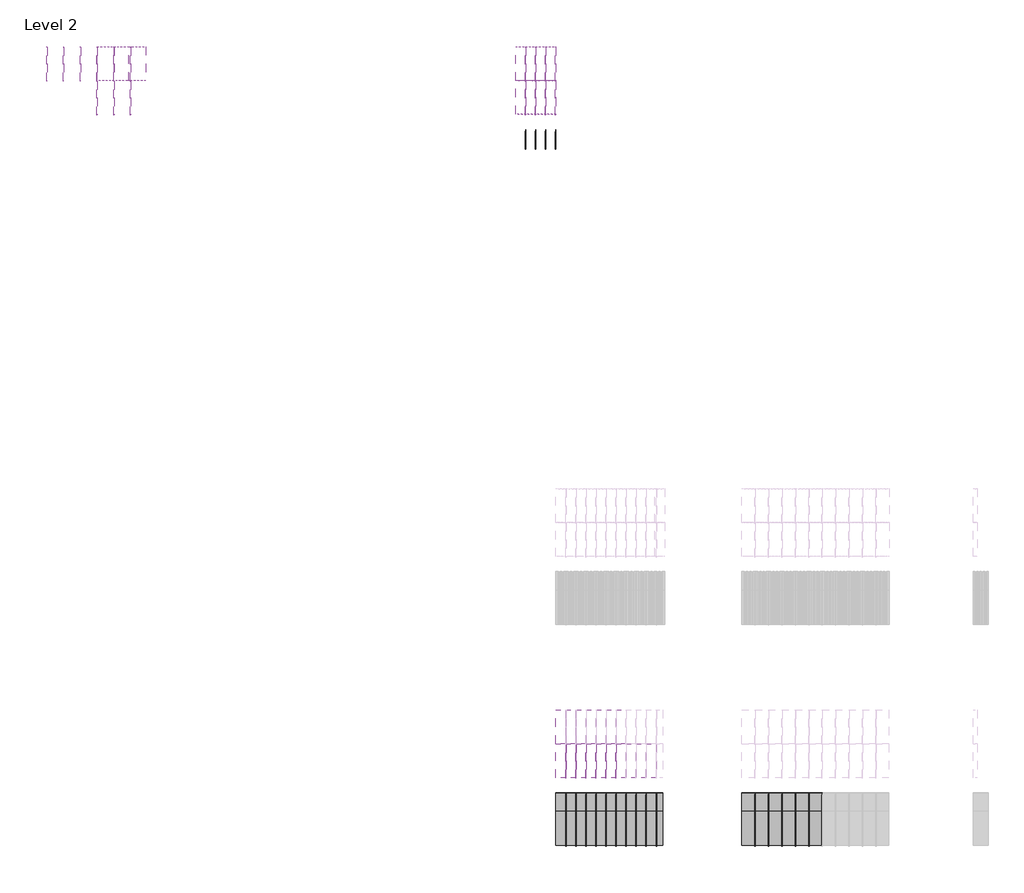
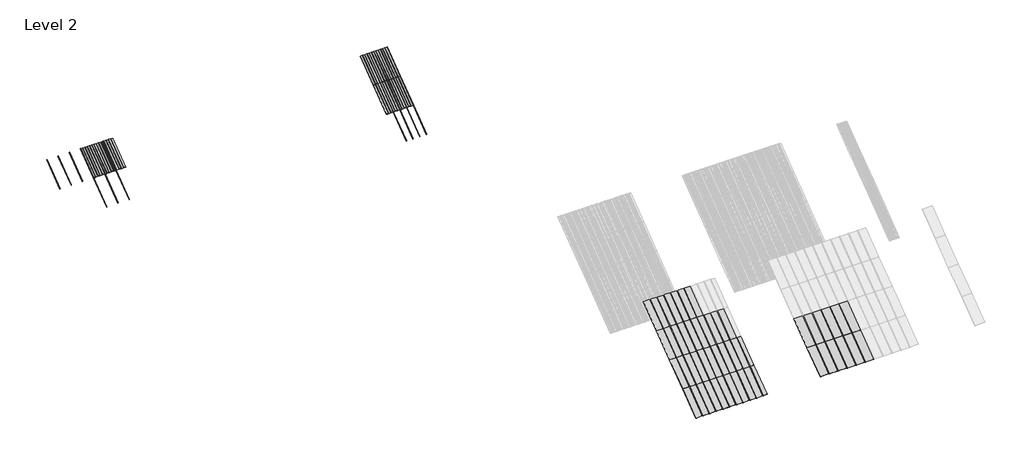
# One storey, part 26 of 177: 62 plates, 51 members.
"""IFC4 building model written with IfcOpenShell, lengths in millimetres."""

import ifcopenshell
import ifcopenshell.guid

model = None  # the IFC model being written
_history = None  # IfcOwnerHistory: only IFC2X3 demands one
_inside = {}  # id of a spatial element -> (the spatial element, [elements in it])
_under = {}  # id of a project, library or spatial element -> (it, [spatial elements below it])
_declared = {}  # id of a project -> (the project, [libraries it declares])
_typed = {}  # id of a type object -> (the type object, [elements of that type])
_made_of = {}  # id of a material, layer set ... -> (it, [elements and type objects made of it])


def new_model(schema):
    """Start an empty IFC model of exactly this schema.

    Asked for "IFC4X3", IfcOpenShell would pick the latest addendum, in which some entities
    have other attributes; the version numbers below select the first issue.
    IFC2X3 requires an IfcOwnerHistory on every rooted entity: one is made here for all.
    """
    global model, _history
    if schema == "IFC4X3":
        model = ifcopenshell.file(schema_version=(4, 3, 0, 0))
    else:
        model = ifcopenshell.file(schema=schema)
    _inside.clear()
    _under.clear()
    _declared.clear()
    _typed.clear()
    _made_of.clear()
    _history = None
    if model.schema == "IFC2X3":
        org = make("IfcOrganization", Name="unknown")
        user = make(
            "IfcPersonAndOrganization",
            ThePerson=make("IfcPerson", FamilyName="unknown"),
            TheOrganization=org,
        )
        app = make(
            "IfcApplication",
            ApplicationDeveloper=org,
            Version="unknown",
            ApplicationFullName="unknown",
            ApplicationIdentifier="unknown",
        )
        _history = make(
            "IfcOwnerHistory",
            OwningUser=user,
            OwningApplication=app,
            ChangeAction="ADDED",
            CreationDate=0,
        )
    return model


def make(cls, **values):
    """One entity of the class cls with the attributes given. An attribute that is None is left unset."""
    return model.create_entity(
        cls, **{name: value for name, value in values.items() if value is not None}
    )


def rooted(cls, **values):
    """An entity with a GlobalId (a new one), such as an element, a storey or a relation."""
    return make(cls, GlobalId=ifcopenshell.guid.new(), OwnerHistory=_history, **values)


def si_unit(unit_type, name, prefix=None):
    """IfcSIUnit, for example si_unit("LENGTHUNIT", "METRE", prefix="MILLI")."""
    return make("IfcSIUnit", UnitType=unit_type, Prefix=prefix, Name=name)


def assignment(units):
    """IfcUnitAssignment: the units of a project."""
    return None if units is None else make("IfcUnitAssignment", Units=units)


def point(xyz):
    """IfcCartesianPoint."""
    return None if xyz is None else make("IfcCartesianPoint", Coordinates=xyz)


def direction(xyz):
    """IfcDirection."""
    return None if xyz is None else make("IfcDirection", DirectionRatios=xyz)


def frame(location, z_axis=None, x_axis=None):
    """IfcAxis2Placement3D, a coordinate frame: its origin and axes. An axis left out is left unset."""
    return make(
        "IfcAxis2Placement3D",
        Location=point(location),
        Axis=direction(z_axis),
        RefDirection=direction(x_axis),
    )


def frame_2d(location, x_axis=None):
    """IfcAxis2Placement2D, a coordinate frame in the plane: its origin and x axis."""
    return make(
        "IfcAxis2Placement2D", Location=point(location), RefDirection=direction(x_axis)
    )


def origin():
    """The frame at (0, 0, 0) with its axes left unset."""
    return frame((0.0, 0.0, 0.0))


def origin_with_axes():
    """The frame at (0, 0, 0) with the z axis (0, 0, 1) and the x axis (1, 0, 0) written out."""
    return frame((0.0, 0.0, 0.0), z_axis=(0.0, 0.0, 1.0), x_axis=(1.0, 0.0, 0.0))


def place(relative_to, where):
    """IfcLocalPlacement: puts the frame where relative to a parent placement (None: the world)."""
    return make(
        "IfcLocalPlacement", PlacementRelTo=relative_to, RelativePlacement=where
    )


def context(
    kind, dimensions, precision=None, world=None, true_north=None, identifier=None
):
    """IfcGeometricRepresentationContext, for example the 3D "Model" context."""
    return make(
        "IfcGeometricRepresentationContext",
        ContextIdentifier=identifier,
        ContextType=kind,
        CoordinateSpaceDimension=dimensions,
        Precision=precision,
        WorldCoordinateSystem=world,
        TrueNorth=true_north,
    )


def project(units=None, contexts=None):
    """IfcProject with its units and contexts."""
    return rooted(
        "IfcProject",
        Name="project",
        RepresentationContexts=contexts,
        UnitsInContext=assignment(units),
    )


def spatial(cls, under=None, at=None, **own):
    """A site, building, storey or space (cls), placed at a placement, below another one or the project."""
    s = rooted(cls, ObjectPlacement=at, **own)
    if under is not None:
        _under.setdefault(under.id(), (under, []))[1].append(s)
    return s


def polyline(points):
    """IfcPolyline through the points."""
    return make("IfcPolyline", Points=[point(p) for p in points])


def circle_curve(where, radius):
    """IfcCircle in the frame where."""
    return make("IfcCircle", Position=where, Radius=radius)


def trimmed(basis, trim1, trim2, sense, master):
    """IfcTrimmedCurve: the piece of a basis curve between two trims."""
    return make(
        "IfcTrimmedCurve",
        BasisCurve=basis,
        Trim1=trim1,
        Trim2=trim2,
        SenseAgreement=sense,
        MasterRepresentation=master,
    )


def segment(curve, same_sense, transition):
    """IfcCompositeCurveSegment."""
    return make(
        "IfcCompositeCurveSegment",
        Transition=transition,
        SameSense=same_sense,
        ParentCurve=curve,
    )


def composite_curve(segments, self_intersect=None):
    """IfcCompositeCurve: segments joined end to end."""
    return make("IfcCompositeCurve", Segments=segments, SelfIntersect=self_intersect)


def outline(outer, holes=None, kind="AREA"):
    """IfcArbitraryClosedProfileDef: a profile drawn as a closed curve; with holes, ...WithVoids."""
    if holes is None:
        return make("IfcArbitraryClosedProfileDef", ProfileType=kind, OuterCurve=outer)
    return make(
        "IfcArbitraryProfileDefWithVoids",
        ProfileType=kind,
        OuterCurve=outer,
        InnerCurves=holes,
    )


def extrude(swept, where, along, depth):
    """IfcExtrudedAreaSolid: the profile swept, set in the frame where, extruded along a direction by depth."""
    return make(
        "IfcExtrudedAreaSolid",
        SweptArea=swept,
        Position=where,
        ExtrudedDirection=direction(along),
        Depth=depth,
    )


def shape(context_of_items, identifier, shape_type, items):
    """IfcShapeRepresentation: the items that make up one representation, for example the "Body"."""
    return make(
        "IfcShapeRepresentation",
        ContextOfItems=context_of_items,
        RepresentationIdentifier=identifier,
        RepresentationType=shape_type,
        Items=items,
    )


def source(mapping_origin, context_of_items, identifier, shape_type, items):
    """IfcRepresentationMap: a shape defined once, which mapped items show again and again."""
    return make(
        "IfcRepresentationMap",
        MappingOrigin=mapping_origin,
        MappedRepresentation=shape(context_of_items, identifier, shape_type, items),
    )


def transform(
    local_origin,
    x_axis=None,
    y_axis=None,
    z_axis=None,
    scale=None,
    scale2=None,
    scale3=None,
    uniform=True,
):
    """IfcCartesianTransformationOperator3D, or its non-uniform kind. x_axis, y_axis, z_axis: its Axis1, 2, 3."""
    if uniform:
        return make(
            "IfcCartesianTransformationOperator3D",
            Axis1=direction(x_axis),
            Axis2=direction(y_axis),
            LocalOrigin=point(local_origin),
            Scale=scale,
            Axis3=direction(z_axis),
        )
    return make(
        "IfcCartesianTransformationOperator3DnonUniform",
        Axis1=direction(x_axis),
        Axis2=direction(y_axis),
        LocalOrigin=point(local_origin),
        Scale=scale,
        Axis3=direction(z_axis),
        Scale2=scale2,
        Scale3=scale3,
    )


def mapped(mapping_source, mapping_target):
    """IfcMappedItem: shows the shape of a source again, moved by a transform."""
    return make(
        "IfcMappedItem", MappingSource=mapping_source, MappingTarget=mapping_target
    )


def made_of(thing, what):
    """Note that an element or type object is made of a material, layer set ...; save() writes the relation."""
    if what is not None:
        _made_of.setdefault(what.id(), (what, []))[1].append(thing)
    return thing


def element(
    cls,
    number,
    at=None,
    inside=None,
    cuts=None,
    type_object=None,
    material=None,
    context=None,
    identifier="Body",
    shape_type=None,
    held_by="IfcProductDefinitionShape",
    body=None,
    shapes=None,
    **own,
):
    """One element of the class cls, such as IfcWall. Its Tag is "e" and its number.

    at: its placement. inside: the storey or other place that contains it. cuts: it is an
    opening in that element (IfcRelVoidsElement). A single representation is given by context,
    identifier, shape_type and body (its items); several are given by shapes. held_by: the class
    of the entity that holds the representations. save() writes the other relations.
    """
    e = rooted(cls, Tag="e%d" % number, ObjectPlacement=at, **own)
    if body is not None:
        shapes = [shape(context, identifier, shape_type, body)]
    if shapes is not None:
        e.Representation = make(held_by, Representations=shapes)
    if inside is not None:
        _inside.setdefault(inside.id(), (inside, []))[1].append(e)
    if cuts is not None:
        rooted(
            "IfcRelVoidsElement", RelatingBuildingElement=cuts, RelatedOpeningElement=e
        )
    if type_object is not None:
        _typed.setdefault(type_object.id(), (type_object, []))[1].append(e)
    return made_of(e, material)


def aggregate(whole, parts):
    """IfcRelAggregates: a whole, such as a stair, and the parts it consists of."""
    return rooted("IfcRelAggregates", RelatingObject=whole, RelatedObjects=parts)


def save(model, path):
    """Write the relations noted so far, then the file.

    IfcRelAggregates (storeys below a building ...), IfcRelContainedInSpatialStructure (elements
    in a storey), IfcRelDefinesByType, IfcRelAssociatesMaterial and IfcRelDeclares: one each for
    every whole, place, type object, material and project.
    """
    for whole, parts in _under.values():
        aggregate(whole, parts)
    for where, things in _inside.values():
        rooted(
            "IfcRelContainedInSpatialStructure",
            RelatedElements=things,
            RelatingStructure=where,
        )
    for kind, things in _typed.values():
        rooted("IfcRelDefinesByType", RelatedObjects=things, RelatingType=kind)
    for what, things in _made_of.values():
        rooted("IfcRelAssociatesMaterial", RelatedObjects=things, RelatingMaterial=what)
    for by, libraries in _declared.values():
        rooted("IfcRelDeclares", RelatingContext=by, RelatedDefinitions=libraries)
    model.write(path)


def rectangular_mullion_1bcf8777(model_context):
    return source(origin(), model_context, "Body", "SweptSolid", [
        extrude(outline(composite_curve([segment(polyline([(-1.651, -33.7200875), (-1.651, 0.5953125), (1.778, 0.5953125), (1.778, -36.2600875)]), True, "CONTINUOUS"), segment(trimmed(circle_curve(frame_2d((-0.762, -36.2600875)), 2.54), [point((1.778, -36.2600875))], [point((-0.762, -38.8000875))], False, "CARTESIAN"), True, "CONTINUOUS"), segment(polyline([(-0.762, -38.8000875), (-10.16, -38.8000875)]), True, "CONTINUOUS"), segment(trimmed(circle_curve(frame_2d((-10.16, -36.2600875)), 2.54), [point((-10.16, -38.8000875))], [point((-10.16, -33.7200875))], False, "CARTESIAN"), True, "CONTINUOUS"), segment(polyline([(-10.16, -33.7200875), (-1.651, -33.7200875)]), True, "CONTINUOUS")], self_intersect=False)), frame((0.0, 0.0, -1285.875), z_axis=(0.0, 0.0, 1.0), x_axis=(1.0, 0.0, 0.0)), (0.0, 0.0, 1.0), 1285.875),
    ])


def rectangular_mullion_59d29c64(model_context):
    return source(origin(), model_context, "Body", "SweptSolid", [
        extrude(outline(composite_curve([segment(polyline([(-1.651, -33.918525), (-1.651, 0.396875), (1.778, 0.396875), (1.778, -36.458525)]), True, "CONTINUOUS"), segment(trimmed(circle_curve(frame_2d((-0.762, -36.458525)), 2.54), [point((1.778, -36.458525))], [point((-0.762, -38.998525))], False, "CARTESIAN"), True, "CONTINUOUS"), segment(polyline([(-0.762, -38.998525), (-10.16, -38.998525)]), True, "CONTINUOUS"), segment(trimmed(circle_curve(frame_2d((-10.16, -36.458525)), 2.54), [point((-10.16, -38.998525))], [point((-10.16, -33.918525))], False, "CARTESIAN"), True, "CONTINUOUS"), segment(polyline([(-10.16, -33.918525), (-1.651, -33.918525)]), True, "CONTINUOUS")], self_intersect=False)), frame((0.0, 0.0, -1285.875), z_axis=(0.0, 0.0, 1.0), x_axis=(1.0, 0.0, 0.0)), (0.0, 0.0, 1.0), 1285.875),
    ])


def plate_0_04_aluminium_d6717451(model_context):
    return source(origin(), model_context, "Body", "SweptSolid", [
        extrude(outline(composite_curve([segment(polyline([(45.68698, 0.0), (-45.68698, 0.0)]), True, "CONTINUOUS"), segment(trimmed(circle_curve(frame_2d((-52.03698, 0.0)), 6.35), [point((-45.68698, 0.0))], [point((-58.38698, 0.0))], False, "CARTESIAN"), True, "CONTINUOUS"), segment(polyline([(-58.38698, 0.0), (-149.76094, 0.0)]), True, "CONTINUOUS"), segment(trimmed(circle_curve(frame_2d((-156.11094, 0.0)), 6.35), [point((-149.76094, 0.0))], [point((-162.46094, 0.0))], False, "CARTESIAN"), True, "CONTINUOUS"), segment(polyline([(-162.46094, 0.0), (-254.0, 0.0), (-254.0, 1.016), (-161.64814, 1.016), (-161.64814, 0.0)]), True, "CONTINUOUS"), segment(trimmed(circle_curve(frame_2d((-156.11094, 0.0)), 5.5372), [point((-161.64814, 0.0))], [point((-150.57374, 0.0))], True, "CARTESIAN"), True, "CONTINUOUS"), segment(polyline([(-150.57374, 0.0), (-150.57374, 1.016), (-57.57418, 1.016), (-57.57418, 0.0)]), True, "CONTINUOUS"), segment(trimmed(circle_curve(frame_2d((-52.03698, 0.0)), 5.5372), [point((-57.57418, 0.0))], [point((-46.49978, 0.0))], True, "CARTESIAN"), True, "CONTINUOUS"), segment(polyline([(-46.49978, 0.0), (-46.49978, 1.016), (46.49978, 1.016), (46.49978, 0.0)]), True, "CONTINUOUS"), segment(trimmed(circle_curve(frame_2d((52.03698, 0.0)), 5.5372), [point((46.49978, 0.0))], [point((57.57418, 0.0))], True, "CARTESIAN"), True, "CONTINUOUS"), segment(polyline([(57.57418, 0.0), (57.57418, 1.016), (150.57374, 1.016), (150.57374, 0.0)]), True, "CONTINUOUS"), segment(trimmed(circle_curve(frame_2d((156.11094, 0.0)), 5.5372), [point((150.57374, 0.0))], [point((161.64814, 0.0))], True, "CARTESIAN"), True, "CONTINUOUS"), segment(polyline([(161.64814, 0.0), (161.64814, 1.016), (254.0, 1.016), (254.0, 0.0), (162.46094, 0.0)]), True, "CONTINUOUS"), segment(trimmed(circle_curve(frame_2d((156.11094, 0.0)), 6.35), [point((162.46094, 0.0))], [point((149.76094, 0.0))], False, "CARTESIAN"), True, "CONTINUOUS"), segment(polyline([(149.76094, 0.0), (58.38698, 0.0)]), True, "CONTINUOUS"), segment(trimmed(circle_curve(frame_2d((52.03698, 0.0)), 6.35), [point((58.38698, 0.0))], [point((45.68698, 0.0))], False, "CARTESIAN"), True, "CONTINUOUS")], self_intersect=False)), origin_with_axes(), (0.0, 0.0, 1.0), 1285.875),
    ])


def plate_0_032_aluminium_90081244(model_context):
    return source(origin(), model_context, "Body", "SweptSolid", [
        extrude(outline(composite_curve([segment(polyline([(-57.57418, 0.8128), (-57.57418, 0.0)]), True, "CONTINUOUS"), segment(trimmed(circle_curve(frame_2d((-52.03698, 0.0)), 5.5372), [point((-57.57418, 0.0))], [point((-46.49978, 0.0))], True, "CARTESIAN"), True, "CONTINUOUS"), segment(polyline([(-46.49978, 0.0), (-46.49978, 0.8128), (46.49978, 0.8128), (46.49978, 0.0)]), True, "CONTINUOUS"), segment(trimmed(circle_curve(frame_2d((52.03698, 0.0)), 5.5372), [point((46.49978, 0.0))], [point((57.57418, 0.0))], True, "CARTESIAN"), True, "CONTINUOUS"), segment(polyline([(57.57418, 0.0), (57.57418, 0.8128), (152.4, 0.8128), (152.4, 0.0), (58.38698, 0.0)]), True, "CONTINUOUS"), segment(trimmed(circle_curve(frame_2d((52.03698, 0.0)), 6.35), [point((58.38698, 0.0))], [point((45.68698, 0.0))], False, "CARTESIAN"), True, "CONTINUOUS"), segment(polyline([(45.68698, 0.0), (-45.68698, 0.0)]), True, "CONTINUOUS"), segment(trimmed(circle_curve(frame_2d((-52.03698, 0.0)), 6.35), [point((-45.68698, 0.0))], [point((-58.38698, 0.0))], False, "CARTESIAN"), True, "CONTINUOUS"), segment(polyline([(-58.38698, 0.0), (-152.4, 0.0), (-152.4, 0.8128), (-57.57418, 0.8128)]), True, "CONTINUOUS")], self_intersect=False)), origin_with_axes(), (0.0, 0.0, 1.0), 1285.875),
    ])


def system_panel_beed7351(model_context):
    return source(origin(), model_context, "Body", "SweptSolid", [
        extrude(outline(polyline([(150.6855, -0.2976563), (-150.6855, -0.2976563), (-150.6855, 0.2976563), (150.6855, 0.2976563), (150.6855, -0.2976563)])), origin_with_axes(), (0.0, 0.0, 1.0), 1285.875),
    ])


def system_panel_ae13d03e(model_context):
    return source(origin(), model_context, "Body", "SweptSolid", [
        extrude(outline(polyline([(93.9165, -0.2976563), (-93.9165, -0.2976563), (-93.9165, 0.2976563), (93.9165, 0.2976563), (93.9165, -0.2976563)])), origin_with_axes(), (0.0, 0.0, 1.0), 1285.875),
    ])


def system_panel_97c11969(model_context):
    return source(origin(), model_context, "Body", "SweptSolid", [
        extrude(outline(polyline([(201.5490002, -0.2976563), (-201.5490002, -0.2976563), (-201.5490002, 0.2976563), (201.5490002, 0.2976563), (201.5490002, -0.2976563)])), origin_with_axes(), (0.0, 0.0, 1.0), 1285.875),
    ])


def system_panel_9a8f2961(model_context):
    return source(origin(), model_context, "Body", "SweptSolid", [
        extrude(outline(polyline([(201.4855, -0.2976563), (-201.4855, -0.2976563), (-201.4855, 0.2976563), (201.4855, 0.2976563), (201.4855, -0.2976563)])), origin_with_axes(), (0.0, 0.0, 1.0), 1285.875),
    ])


model = new_model("IFC4")

# Units and contexts
model_context = context("Model", 3, world=origin())
ifc_project = project(units=[si_unit("LENGTHUNIT", "METRE", prefix="MILLI")], contexts=[model_context])

# Site, building, storey
site = spatial("IfcSite", under=ifc_project)
building = spatial("IfcBuilding", under=site)
storey = spatial("IfcBuildingStorey", under=building, Name="Level 2", Elevation=3048.0)

# Members
placement = place(None, origin())
rectangular_mullion_shape = rectangular_mullion_1bcf8777(model_context)
element("IfcMember", 1, ObjectType="Rectangular Mullion", at=placement, inside=storey, context=model_context, shape_type="MappedRepresentation", body=[
    mapped(rectangular_mullion_shape, transform((80547.5538419, 59076.1174364, 6134.1), x_axis=(1.0, 0.0, 0.0), y_axis=(0.0, 0.5999999999999946, -0.800000000000004), z_axis=(0.0, 0.800000000000004, 0.5999999999999946))),
])
element("IfcMember", 2, ObjectType="Rectangular Mullion", at=placement, inside=storey, context=model_context, shape_type="MappedRepresentation", body=[
    mapped(rectangular_mullion_shape, transform((81055.5538419, 59076.1174364, 6134.1), x_axis=(1.0, 0.0, 0.0), y_axis=(0.0, 0.5999999999999946, -0.800000000000004), z_axis=(0.0, 0.800000000000004, 0.5999999999999946))),
])
element("IfcMember", 3, ObjectType="Rectangular Mullion", at=placement, inside=storey, context=model_context, shape_type="MappedRepresentation", body=[
    mapped(rectangular_mullion_shape, transform((81563.5538419, 59076.1174364, 6134.1), x_axis=(1.0, 0.0, 0.0), y_axis=(0.0, 0.5999999999999946, -0.800000000000004), z_axis=(0.0, 0.800000000000004, 0.5999999999999946))),
])
element("IfcMember", 4, ObjectType="Rectangular Mullion", at=placement, inside=storey, context=model_context, shape_type="MappedRepresentation", body=[
    mapped(rectangular_mullion_shape, transform((82071.5538419, 59076.1174364, 6134.1), x_axis=(1.0, 0.0, 0.0), y_axis=(0.0, 0.5999999999999946, -0.800000000000004), z_axis=(0.0, 0.800000000000004, 0.5999999999999946))),
])
element("IfcMember", 5, ObjectType="Rectangular Mullion", at=placement, inside=storey, context=model_context, shape_type="MappedRepresentation", body=[
    mapped(rectangular_mullion_shape, transform((82579.5538419, 59076.1174364, 6134.1), x_axis=(1.0, 0.0, 0.0), y_axis=(0.0, 0.5999999999999946, -0.800000000000004), z_axis=(0.0, 0.800000000000004, 0.5999999999999946))),
])
element("IfcMember", 6, ObjectType="Rectangular Mullion", at=placement, inside=storey, context=model_context, shape_type="MappedRepresentation", body=[
    mapped(rectangular_mullion_shape, transform((83087.5538419, 59076.1174364, 6134.1), x_axis=(1.0, 0.0, 0.0), y_axis=(0.0, 0.5999999999999946, -0.800000000000004), z_axis=(0.0, 0.800000000000004, 0.5999999999999946))),
])
element("IfcMember", 7, ObjectType="Rectangular Mullion", at=placement, inside=storey, context=model_context, shape_type="MappedRepresentation", body=[
    mapped(rectangular_mullion_shape, transform((82071.5538419, 58047.4174364, 5362.575), x_axis=(1.0, 0.0, 0.0), y_axis=(0.0, 0.5999999999999941, -0.8000000000000045), z_axis=(0.0, 0.8000000000000044, 0.599999999999994))),
])
element("IfcMember", 8, ObjectType="Rectangular Mullion", at=placement, inside=storey, context=model_context, shape_type="MappedRepresentation", body=[
    mapped(rectangular_mullion_shape, transform((82579.5538419, 58047.4174364, 5362.575), x_axis=(1.0, 0.0, 0.0), y_axis=(0.0, 0.5999999999999941, -0.8000000000000045), z_axis=(0.0, 0.8000000000000044, 0.599999999999994))),
])
element("IfcMember", 9, ObjectType="Rectangular Mullion", at=placement, inside=storey, context=model_context, shape_type="MappedRepresentation", body=[
    mapped(rectangular_mullion_shape, transform((83087.5538419, 58047.4174364, 5362.575), x_axis=(1.0, 0.0, 0.0), y_axis=(0.0, 0.5999999999999941, -0.8000000000000045), z_axis=(0.0, 0.8000000000000044, 0.599999999999994))),
])
rectangular_mullion_2_shape = rectangular_mullion_59d29c64(model_context)
element("IfcMember", 10, ObjectType="Rectangular Mullion", at=placement, inside=storey, context=model_context, shape_type="MappedRepresentation", body=[
    mapped(rectangular_mullion_2_shape, transform((95061.1138422, 59077.9033739, 6134.1), x_axis=(1.0, 0.0, 0.0), y_axis=(0.0, 0.5999999999999946, -0.800000000000004), z_axis=(0.0, 0.800000000000004, 0.5999999999999946))),
])
element("IfcMember", 11, ObjectType="Rectangular Mullion", at=placement, inside=storey, context=model_context, shape_type="MappedRepresentation", body=[
    mapped(rectangular_mullion_2_shape, transform((95365.9138422, 59077.9033739, 6134.1), x_axis=(1.0, 0.0, 0.0), y_axis=(0.0, 0.5999999999999946, -0.800000000000004), z_axis=(0.0, 0.800000000000004, 0.5999999999999946))),
])
element("IfcMember", 12, ObjectType="Rectangular Mullion", at=placement, inside=storey, context=model_context, shape_type="MappedRepresentation", body=[
    mapped(rectangular_mullion_2_shape, transform((95670.7138422, 59077.9033739, 6134.1), x_axis=(1.0, 0.0, 0.0), y_axis=(0.0, 0.5999999999999946, -0.800000000000004), z_axis=(0.0, 0.800000000000004, 0.5999999999999946))),
])
element("IfcMember", 13, ObjectType="Rectangular Mullion", at=placement, inside=storey, context=model_context, shape_type="MappedRepresentation", body=[
    mapped(rectangular_mullion_2_shape, transform((95975.5138422, 59077.9033739, 6134.1), x_axis=(1.0, 0.0, 0.0), y_axis=(0.0, 0.5999999999999946, -0.800000000000004), z_axis=(0.0, 0.800000000000004, 0.5999999999999946))),
])
element("IfcMember", 14, ObjectType="Rectangular Mullion", at=placement, inside=storey, context=model_context, shape_type="MappedRepresentation", body=[
    mapped(rectangular_mullion_2_shape, transform((96280.3138422, 35875.4796239, 3819.525), x_axis=(1.0, 0.0, 0.0), y_axis=(0.0, 0.6000000000000008, -0.7999999999999994), z_axis=(0.0, 0.7999999999999994, 0.6000000000000008))),
])
element("IfcMember", 15, ObjectType="Rectangular Mullion", at=placement, inside=storey, context=model_context, shape_type="MappedRepresentation", body=[
    mapped(rectangular_mullion_2_shape, transform((96585.1138422, 35875.4796239, 3819.525), x_axis=(1.0, 0.0, 0.0), y_axis=(0.0, 0.6000000000000008, -0.7999999999999994), z_axis=(0.0, 0.7999999999999994, 0.6000000000000008))),
])
element("IfcMember", 16, ObjectType="Rectangular Mullion", at=placement, inside=storey, context=model_context, shape_type="MappedRepresentation", body=[
    mapped(rectangular_mullion_2_shape, transform((96889.9138422, 35875.4796239, 3819.525), x_axis=(1.0, 0.0, 0.0), y_axis=(0.0, 0.6000000000000008, -0.7999999999999994), z_axis=(0.0, 0.7999999999999994, 0.6000000000000008))),
])
element("IfcMember", 17, ObjectType="Rectangular Mullion", at=placement, inside=storey, context=model_context, shape_type="MappedRepresentation", body=[
    mapped(rectangular_mullion_2_shape, transform((97194.7138422, 35875.4796239, 3819.525), x_axis=(1.0, 0.0, 0.0), y_axis=(0.0, 0.6000000000000008, -0.7999999999999994), z_axis=(0.0, 0.7999999999999994, 0.6000000000000008))),
])
element("IfcMember", 18, ObjectType="Rectangular Mullion", at=placement, inside=storey, context=model_context, shape_type="MappedRepresentation", body=[
    mapped(rectangular_mullion_2_shape, transform((97499.5138422, 35875.4796239, 3819.525), x_axis=(1.0, 0.0, 0.0), y_axis=(0.0, 0.6000000000000008, -0.7999999999999994), z_axis=(0.0, 0.7999999999999994, 0.6000000000000008))),
])
element("IfcMember", 19, ObjectType="Rectangular Mullion", at=placement, inside=storey, context=model_context, shape_type="MappedRepresentation", body=[
    mapped(rectangular_mullion_2_shape, transform((97804.3138422, 35875.4796239, 3819.525), x_axis=(1.0, 0.0, 0.0), y_axis=(0.0, 0.6000000000000008, -0.7999999999999994), z_axis=(0.0, 0.7999999999999994, 0.6000000000000008))),
])
element("IfcMember", 20, ObjectType="Rectangular Mullion", at=placement, inside=storey, context=model_context, shape_type="MappedRepresentation", body=[
    mapped(rectangular_mullion_2_shape, transform((102020.7138422, 35875.4796239, 3819.525), x_axis=(1.0, 0.0, 0.0), y_axis=(0.0, 0.6000000000000008, -0.7999999999999994), z_axis=(0.0, 0.7999999999999994, 0.6000000000000008))),
])
element("IfcMember", 21, ObjectType="Rectangular Mullion", at=placement, inside=storey, context=model_context, shape_type="MappedRepresentation", body=[
    mapped(rectangular_mullion_2_shape, transform((102427.1138422, 35875.4796239, 3819.525), x_axis=(1.0, 0.0, 0.0), y_axis=(0.0, 0.6000000000000008, -0.7999999999999994), z_axis=(0.0, 0.7999999999999994, 0.6000000000000008))),
])
element("IfcMember", 22, ObjectType="Rectangular Mullion", at=placement, inside=storey, context=model_context, shape_type="MappedRepresentation", body=[
    mapped(rectangular_mullion_2_shape, transform((102833.5138422, 35875.4796239, 3819.525), x_axis=(1.0, 0.0, 0.0), y_axis=(0.0, 0.6000000000000008, -0.7999999999999994), z_axis=(0.0, 0.7999999999999994, 0.6000000000000008))),
])
element("IfcMember", 23, ObjectType="Rectangular Mullion", at=placement, inside=storey, context=model_context, shape_type="MappedRepresentation", body=[
    mapped(rectangular_mullion_2_shape, transform((103239.9138422, 35875.4796239, 3819.525), x_axis=(1.0, 0.0, 0.0), y_axis=(0.0, 0.6000000000000008, -0.7999999999999994), z_axis=(0.0, 0.7999999999999994, 0.6000000000000008))),
])
element("IfcMember", 24, ObjectType="Rectangular Mullion", at=placement, inside=storey, context=model_context, shape_type="MappedRepresentation", body=[
    mapped(rectangular_mullion_2_shape, transform((103646.3138422, 35875.4796239, 3819.525), x_axis=(1.0, 0.0, 0.0), y_axis=(0.0, 0.6000000000000008, -0.7999999999999994), z_axis=(0.0, 0.7999999999999994, 0.6000000000000008))),
])
element("IfcMember", 25, ObjectType="Rectangular Mullion", at=placement, inside=storey, context=model_context, shape_type="MappedRepresentation", body=[
    mapped(rectangular_mullion_2_shape, transform((98109.1138422, 35875.4796239, 3819.525), x_axis=(1.0, 0.0, 0.0), y_axis=(0.0, 0.6000000000000008, -0.7999999999999994), z_axis=(0.0, 0.7999999999999994, 0.6000000000000008))),
])
element("IfcMember", 26, ObjectType="Rectangular Mullion", at=placement, inside=storey, context=model_context, shape_type="MappedRepresentation", body=[
    mapped(rectangular_mullion_2_shape, transform((98413.9138422, 35875.4796239, 3819.525), x_axis=(1.0, 0.0, 0.0), y_axis=(0.0, 0.6000000000000008, -0.7999999999999994), z_axis=(0.0, 0.7999999999999994, 0.6000000000000008))),
])
element("IfcMember", 27, ObjectType="Rectangular Mullion", at=placement, inside=storey, context=model_context, shape_type="MappedRepresentation", body=[
    mapped(rectangular_mullion_2_shape, transform((98718.7138422, 35875.4796239, 3819.525), x_axis=(1.0, 0.0, 0.0), y_axis=(0.0, 0.6000000000000008, -0.7999999999999994), z_axis=(0.0, 0.7999999999999994, 0.6000000000000008))),
])
element("IfcMember", 28, ObjectType="Rectangular Mullion", at=placement, inside=storey, context=model_context, shape_type="MappedRepresentation", body=[
    mapped(rectangular_mullion_2_shape, transform((99023.5138422, 35875.4796239, 3819.525), x_axis=(1.0, 0.0, 0.0), y_axis=(0.0, 0.6000000000000008, -0.7999999999999994), z_axis=(0.0, 0.7999999999999994, 0.6000000000000008))),
])
element("IfcMember", 29, ObjectType="Rectangular Mullion", at=placement, inside=storey, context=model_context, shape_type="MappedRepresentation", body=[
    mapped(rectangular_mullion_2_shape, transform((96280.3138422, 36904.1796239, 4591.05), x_axis=(1.0, 0.0, 0.0), y_axis=(0.0, 0.6000000000000016, -0.7999999999999988), z_axis=(0.0, 0.7999999999999988, 0.6000000000000016))),
])
element("IfcMember", 30, ObjectType="Rectangular Mullion", at=placement, inside=storey, context=model_context, shape_type="MappedRepresentation", body=[
    mapped(rectangular_mullion_2_shape, transform((96585.1138422, 36904.1796239, 4591.05), x_axis=(1.0, 0.0, 0.0), y_axis=(0.0, 0.6000000000000016, -0.7999999999999988), z_axis=(0.0, 0.7999999999999988, 0.6000000000000016))),
])
element("IfcMember", 31, ObjectType="Rectangular Mullion", at=placement, inside=storey, context=model_context, shape_type="MappedRepresentation", body=[
    mapped(rectangular_mullion_2_shape, transform((96889.9138422, 36904.1796239, 4591.05), x_axis=(1.0, 0.0, 0.0), y_axis=(0.0, 0.6000000000000016, -0.7999999999999988), z_axis=(0.0, 0.7999999999999988, 0.6000000000000016))),
])
element("IfcMember", 32, ObjectType="Rectangular Mullion", at=placement, inside=storey, context=model_context, shape_type="MappedRepresentation", body=[
    mapped(rectangular_mullion_2_shape, transform((97194.7138422, 36904.1796239, 4591.05), x_axis=(1.0, 0.0, 0.0), y_axis=(0.0, 0.6000000000000016, -0.7999999999999988), z_axis=(0.0, 0.7999999999999988, 0.6000000000000016))),
])
element("IfcMember", 33, ObjectType="Rectangular Mullion", at=placement, inside=storey, context=model_context, shape_type="MappedRepresentation", body=[
    mapped(rectangular_mullion_2_shape, transform((97499.5138422, 36904.1796239, 4591.05), x_axis=(1.0, 0.0, 0.0), y_axis=(0.0, 0.6000000000000016, -0.7999999999999988), z_axis=(0.0, 0.7999999999999988, 0.6000000000000016))),
])
element("IfcMember", 34, ObjectType="Rectangular Mullion", at=placement, inside=storey, context=model_context, shape_type="MappedRepresentation", body=[
    mapped(rectangular_mullion_2_shape, transform((97804.3138422, 36904.1796239, 4591.05), x_axis=(1.0, 0.0, 0.0), y_axis=(0.0, 0.6000000000000016, -0.7999999999999988), z_axis=(0.0, 0.7999999999999988, 0.6000000000000016))),
])
element("IfcMember", 35, ObjectType="Rectangular Mullion", at=placement, inside=storey, context=model_context, shape_type="MappedRepresentation", body=[
    mapped(rectangular_mullion_2_shape, transform((96280.3138422, 37932.8796239, 5362.575), x_axis=(1.0, 0.0, 0.0), y_axis=(0.0, 0.6000000000000011, -0.7999999999999992), z_axis=(0.0, 0.7999999999999992, 0.6000000000000011))),
])
element("IfcMember", 36, ObjectType="Rectangular Mullion", at=placement, inside=storey, context=model_context, shape_type="MappedRepresentation", body=[
    mapped(rectangular_mullion_2_shape, transform((96585.1138422, 37932.8796239, 5362.575), x_axis=(1.0, 0.0, 0.0), y_axis=(0.0, 0.6000000000000011, -0.7999999999999992), z_axis=(0.0, 0.7999999999999992, 0.6000000000000011))),
])
element("IfcMember", 37, ObjectType="Rectangular Mullion", at=placement, inside=storey, context=model_context, shape_type="MappedRepresentation", body=[
    mapped(rectangular_mullion_2_shape, transform((96889.9138422, 37932.8796239, 5362.575), x_axis=(1.0, 0.0, 0.0), y_axis=(0.0, 0.6000000000000011, -0.7999999999999992), z_axis=(0.0, 0.7999999999999992, 0.6000000000000011))),
])
element("IfcMember", 38, ObjectType="Rectangular Mullion", at=placement, inside=storey, context=model_context, shape_type="MappedRepresentation", body=[
    mapped(rectangular_mullion_2_shape, transform((97194.7138422, 37932.8796239, 5362.575), x_axis=(1.0, 0.0, 0.0), y_axis=(0.0, 0.6000000000000011, -0.7999999999999992), z_axis=(0.0, 0.7999999999999992, 0.6000000000000011))),
])
element("IfcMember", 39, ObjectType="Rectangular Mullion", at=placement, inside=storey, context=model_context, shape_type="MappedRepresentation", body=[
    mapped(rectangular_mullion_2_shape, transform((97499.5138422, 37932.8796239, 5362.575), x_axis=(1.0, 0.0, 0.0), y_axis=(0.0, 0.6000000000000011, -0.7999999999999992), z_axis=(0.0, 0.7999999999999992, 0.6000000000000011))),
])
element("IfcMember", 40, ObjectType="Rectangular Mullion", at=placement, inside=storey, context=model_context, shape_type="MappedRepresentation", body=[
    mapped(rectangular_mullion_2_shape, transform((97804.3138422, 37932.8796239, 5362.575), x_axis=(1.0, 0.0, 0.0), y_axis=(0.0, 0.6000000000000011, -0.7999999999999992), z_axis=(0.0, 0.7999999999999992, 0.6000000000000011))),
])
element("IfcMember", 41, ObjectType="Rectangular Mullion", at=placement, inside=storey, context=model_context, shape_type="MappedRepresentation", body=[
    mapped(rectangular_mullion_2_shape, transform((98109.1138422, 36904.1796239, 4591.05), x_axis=(1.0, 0.0, 0.0), y_axis=(0.0, 0.6000000000000016, -0.7999999999999988), z_axis=(0.0, 0.7999999999999988, 0.6000000000000016))),
])
element("IfcMember", 42, ObjectType="Rectangular Mullion", at=placement, inside=storey, context=model_context, shape_type="MappedRepresentation", body=[
    mapped(rectangular_mullion_2_shape, transform((98413.9138422, 36904.1796239, 4591.05), x_axis=(1.0, 0.0, 0.0), y_axis=(0.0, 0.6000000000000016, -0.7999999999999988), z_axis=(0.0, 0.7999999999999988, 0.6000000000000016))),
])
element("IfcMember", 43, ObjectType="Rectangular Mullion", at=placement, inside=storey, context=model_context, shape_type="MappedRepresentation", body=[
    mapped(rectangular_mullion_2_shape, transform((98718.7138422, 36904.1796239, 4591.05), x_axis=(1.0, 0.0, 0.0), y_axis=(0.0, 0.6000000000000016, -0.7999999999999988), z_axis=(0.0, 0.7999999999999988, 0.6000000000000016))),
])
element("IfcMember", 44, ObjectType="Rectangular Mullion", at=placement, inside=storey, context=model_context, shape_type="MappedRepresentation", body=[
    mapped(rectangular_mullion_2_shape, transform((95061.1138422, 57020.5033739, 4591.05), x_axis=(1.0, 0.0, 0.0), y_axis=(0.0, 0.5999999999999952, -0.8000000000000037), z_axis=(0.0, 0.8000000000000037, 0.5999999999999952))),
])
element("IfcMember", 45, ObjectType="Rectangular Mullion", at=placement, inside=storey, context=model_context, shape_type="MappedRepresentation", body=[
    mapped(rectangular_mullion_2_shape, transform((95365.9138422, 57020.5033739, 4591.05), x_axis=(1.0, 0.0, 0.0), y_axis=(0.0, 0.5999999999999952, -0.8000000000000037), z_axis=(0.0, 0.8000000000000037, 0.5999999999999952))),
])
element("IfcMember", 46, ObjectType="Rectangular Mullion", at=placement, inside=storey, context=model_context, shape_type="MappedRepresentation", body=[
    mapped(rectangular_mullion_2_shape, transform((95061.1138422, 58049.2033739, 5362.575), x_axis=(1.0, 0.0, 0.0), y_axis=(0.0, 0.5999999999999941, -0.8000000000000045), z_axis=(0.0, 0.8000000000000044, 0.599999999999994))),
])
element("IfcMember", 47, ObjectType="Rectangular Mullion", at=placement, inside=storey, context=model_context, shape_type="MappedRepresentation", body=[
    mapped(rectangular_mullion_2_shape, transform((95365.9138422, 58049.2033739, 5362.575), x_axis=(1.0, 0.0, 0.0), y_axis=(0.0, 0.5999999999999941, -0.8000000000000045), z_axis=(0.0, 0.8000000000000044, 0.599999999999994))),
])
element("IfcMember", 48, ObjectType="Rectangular Mullion", at=placement, inside=storey, context=model_context, shape_type="MappedRepresentation", body=[
    mapped(rectangular_mullion_2_shape, transform((95670.7138422, 57020.5033739, 4591.05), x_axis=(1.0, 0.0, 0.0), y_axis=(0.0, 0.5999999999999952, -0.8000000000000037), z_axis=(0.0, 0.8000000000000037, 0.5999999999999952))),
])
element("IfcMember", 49, ObjectType="Rectangular Mullion", at=placement, inside=storey, context=model_context, shape_type="MappedRepresentation", body=[
    mapped(rectangular_mullion_2_shape, transform((95975.5138422, 57020.5033739, 4591.05), x_axis=(1.0, 0.0, 0.0), y_axis=(0.0, 0.5999999999999952, -0.8000000000000037), z_axis=(0.0, 0.8000000000000037, 0.5999999999999952))),
])
element("IfcMember", 50, ObjectType="Rectangular Mullion", at=placement, inside=storey, context=model_context, shape_type="MappedRepresentation", body=[
    mapped(rectangular_mullion_2_shape, transform((95670.7138422, 58049.2033739, 5362.575), x_axis=(1.0, 0.0, 0.0), y_axis=(0.0, 0.5999999999999941, -0.8000000000000045), z_axis=(0.0, 0.8000000000000044, 0.599999999999994))),
])
element("IfcMember", 51, ObjectType="Rectangular Mullion", at=placement, inside=storey, context=model_context, shape_type="MappedRepresentation", body=[
    mapped(rectangular_mullion_2_shape, transform((95975.5138422, 58049.2033739, 5362.575), x_axis=(1.0, 0.0, 0.0), y_axis=(0.0, 0.5999999999999941, -0.8000000000000045), z_axis=(0.0, 0.8000000000000044, 0.599999999999994))),
])

# Plates
plate_0_04_aluminium_shape = plate_0_04_aluminium_d6717451(model_context)
element("IfcPlate", 52, ObjectType="0.04 Aluminium", at=placement, inside=storey, context=model_context, shape_type="MappedRepresentation", body=[
    mapped(plate_0_04_aluminium_shape, transform((82325.6173419, 58047.4174364, 5362.575), x_axis=(1.0, 0.0, 0.0), y_axis=(0.0, 0.5999999999999943, -0.8000000000000043), z_axis=(0.0, 0.8000000000000043, 0.5999999999999943))),
])
element("IfcPlate", 53, ObjectType="0.04 Aluminium", at=placement, inside=storey, context=model_context, shape_type="MappedRepresentation", body=[
    mapped(plate_0_04_aluminium_shape, transform((82833.6173419, 58047.4174364, 5362.575), x_axis=(1.0, 0.0, 0.0), y_axis=(0.0, 0.5999999999999943, -0.8000000000000043), z_axis=(0.0, 0.8000000000000043, 0.5999999999999943))),
])
element("IfcPlate", 54, ObjectType="0.04 Aluminium", at=placement, inside=storey, context=model_context, shape_type="MappedRepresentation", body=[
    mapped(plate_0_04_aluminium_shape, transform((83284.8483419, 58047.4174364, 5362.575), x_axis=(1.0, 0.0, 0.0), y_axis=(0.0, 0.5999999999999943, -0.8000000000000043), z_axis=(0.0, 0.8000000000000043, 0.5999999999999943))),
])
plate_0_032_aluminium_shape = plate_0_032_aluminium_90081244(model_context)
element("IfcPlate", 55, ObjectType="22 Ga. Steel", at=placement, inside=storey, context=model_context, shape_type="MappedRepresentation", body=[
    mapped(plate_0_032_aluminium_shape, transform((94908.713842, 57020.5033739, 4591.05), x_axis=(1.0, 0.0, 0.0), y_axis=(0.0, 0.5999999999999943, -0.8000000000000043), z_axis=(0.0, 0.8000000000000043, 0.5999999999999943))),
])
element("IfcPlate", 56, ObjectType="22 Ga. Steel", at=placement, inside=storey, context=model_context, shape_type="MappedRepresentation", body=[
    mapped(plate_0_032_aluminium_shape, transform((94908.713842, 58049.2033739, 5362.575), x_axis=(1.0, 0.0, 0.0), y_axis=(0.0, 0.5999999999999943, -0.8000000000000043), z_axis=(0.0, 0.8000000000000043, 0.5999999999999943))),
])
element("IfcPlate", 57, ObjectType="22 Ga. Steel", at=placement, inside=storey, context=model_context, shape_type="MappedRepresentation", body=[
    mapped(plate_0_032_aluminium_shape, transform((95213.5773422, 57020.5033739, 4591.05), x_axis=(1.0, 0.0, 0.0), y_axis=(0.0, 0.5999999999999943, -0.8000000000000043), z_axis=(0.0, 0.8000000000000043, 0.5999999999999943))),
])
element("IfcPlate", 58, ObjectType="22 Ga. Steel", at=placement, inside=storey, context=model_context, shape_type="MappedRepresentation", body=[
    mapped(plate_0_032_aluminium_shape, transform((95518.3773422, 57020.5033739, 4591.05), x_axis=(1.0, 0.0, 0.0), y_axis=(0.0, 0.5999999999999943, -0.8000000000000043), z_axis=(0.0, 0.8000000000000043, 0.5999999999999943))),
])
element("IfcPlate", 59, ObjectType="22 Ga. Steel", at=placement, inside=storey, context=model_context, shape_type="MappedRepresentation", body=[
    mapped(plate_0_032_aluminium_shape, transform((95213.5773422, 58049.2033739, 5362.575), x_axis=(1.0, 0.0, 0.0), y_axis=(0.0, 0.5999999999999943, -0.8000000000000043), z_axis=(0.0, 0.8000000000000043, 0.5999999999999943))),
])
element("IfcPlate", 60, ObjectType="22 Ga. Steel", at=placement, inside=storey, context=model_context, shape_type="MappedRepresentation", body=[
    mapped(plate_0_032_aluminium_shape, transform((95518.3773422, 58049.2033739, 5362.575), x_axis=(1.0, 0.0, 0.0), y_axis=(0.0, 0.5999999999999943, -0.8000000000000043), z_axis=(0.0, 0.8000000000000043, 0.5999999999999943))),
])
element("IfcPlate", 61, ObjectType="22 Ga. Steel", at=placement, inside=storey, context=model_context, shape_type="MappedRepresentation", body=[
    mapped(plate_0_032_aluminium_shape, transform((95823.1773422, 57020.5033739, 4591.05), x_axis=(1.0, 0.0, 0.0), y_axis=(0.0, 0.5999999999999943, -0.8000000000000043), z_axis=(0.0, 0.8000000000000043, 0.5999999999999943))),
])
element("IfcPlate", 62, ObjectType="22 Ga. Steel", at=placement, inside=storey, context=model_context, shape_type="MappedRepresentation", body=[
    mapped(plate_0_032_aluminium_shape, transform((95823.1773422, 58049.2033739, 5362.575), x_axis=(1.0, 0.0, 0.0), y_axis=(0.0, 0.5999999999999943, -0.8000000000000043), z_axis=(0.0, 0.8000000000000043, 0.5999999999999943))),
])
system_panel_shape = system_panel_beed7351(model_context)
element("IfcPlate", 63, ObjectType="System Panel", at=placement, inside=storey, context=model_context, shape_type="MappedRepresentation", body=[
    mapped(system_panel_shape, transform((96127.9773422, 34846.7796239, 3048.0), x_axis=(1.0, 0.0, 0.0), y_axis=(0.0, 0.6000000000000011, -0.7999999999999992), z_axis=(0.0, 0.7999999999999992, 0.6000000000000011))),
])
element("IfcPlate", 64, ObjectType="System Panel", at=placement, inside=storey, context=model_context, shape_type="MappedRepresentation", body=[
    mapped(system_panel_shape, transform((96127.9773422, 35875.4796239, 3819.525), x_axis=(1.0, 0.0, 0.0), y_axis=(0.0, 0.6000000000000011, -0.7999999999999992), z_axis=(0.0, 0.7999999999999992, 0.6000000000000011))),
])
element("IfcPlate", 65, ObjectType="System Panel", at=placement, inside=storey, context=model_context, shape_type="MappedRepresentation", body=[
    mapped(system_panel_shape, transform((96127.9773422, 36904.1796239, 4591.05), x_axis=(1.0, 0.0, 0.0), y_axis=(0.0, 0.6000000000000011, -0.7999999999999992), z_axis=(0.0, 0.7999999999999992, 0.6000000000000011))),
])
element("IfcPlate", 66, ObjectType="System Panel", at=placement, inside=storey, context=model_context, shape_type="MappedRepresentation", body=[
    mapped(system_panel_shape, transform((96127.9773422, 37932.8796239, 5362.575), x_axis=(1.0, 0.0, 0.0), y_axis=(0.0, 0.6000000000000011, -0.7999999999999992), z_axis=(0.0, 0.7999999999999992, 0.6000000000000011))),
])
element("IfcPlate", 67, ObjectType="System Panel", at=placement, inside=storey, context=model_context, shape_type="MappedRepresentation", body=[
    mapped(system_panel_shape, transform((96432.7773422, 34846.7796239, 3048.0), x_axis=(1.0, 0.0, 0.0), y_axis=(0.0, 0.6000000000000011, -0.7999999999999992), z_axis=(0.0, 0.7999999999999992, 0.6000000000000011))),
])
element("IfcPlate", 68, ObjectType="System Panel", at=placement, inside=storey, context=model_context, shape_type="MappedRepresentation", body=[
    mapped(system_panel_shape, transform((96432.7773422, 35875.4796239, 3819.525), x_axis=(1.0, 0.0, 0.0), y_axis=(0.0, 0.6000000000000011, -0.7999999999999992), z_axis=(0.0, 0.7999999999999992, 0.6000000000000011))),
])
element("IfcPlate", 69, ObjectType="System Panel", at=placement, inside=storey, context=model_context, shape_type="MappedRepresentation", body=[
    mapped(system_panel_shape, transform((96432.7773422, 36904.1796239, 4591.05), x_axis=(1.0, 0.0, 0.0), y_axis=(0.0, 0.6000000000000011, -0.7999999999999992), z_axis=(0.0, 0.7999999999999992, 0.6000000000000011))),
])
element("IfcPlate", 70, ObjectType="System Panel", at=placement, inside=storey, context=model_context, shape_type="MappedRepresentation", body=[
    mapped(system_panel_shape, transform((96432.7773422, 37932.8796239, 5362.575), x_axis=(1.0, 0.0, 0.0), y_axis=(0.0, 0.6000000000000011, -0.7999999999999992), z_axis=(0.0, 0.7999999999999992, 0.6000000000000011))),
])
element("IfcPlate", 71, ObjectType="System Panel", at=placement, inside=storey, context=model_context, shape_type="MappedRepresentation", body=[
    mapped(system_panel_shape, transform((96737.5773422, 34846.7796239, 3048.0), x_axis=(1.0, 0.0, 0.0), y_axis=(0.0, 0.6000000000000011, -0.7999999999999992), z_axis=(0.0, 0.7999999999999992, 0.6000000000000011))),
])
element("IfcPlate", 72, ObjectType="System Panel", at=placement, inside=storey, context=model_context, shape_type="MappedRepresentation", body=[
    mapped(system_panel_shape, transform((96737.5773422, 35875.4796239, 3819.525), x_axis=(1.0, 0.0, 0.0), y_axis=(0.0, 0.6000000000000011, -0.7999999999999992), z_axis=(0.0, 0.7999999999999992, 0.6000000000000011))),
])
element("IfcPlate", 73, ObjectType="System Panel", at=placement, inside=storey, context=model_context, shape_type="MappedRepresentation", body=[
    mapped(system_panel_shape, transform((96737.5773422, 36904.1796239, 4591.05), x_axis=(1.0, 0.0, 0.0), y_axis=(0.0, 0.6000000000000011, -0.7999999999999992), z_axis=(0.0, 0.7999999999999992, 0.6000000000000011))),
])
element("IfcPlate", 74, ObjectType="System Panel", at=placement, inside=storey, context=model_context, shape_type="MappedRepresentation", body=[
    mapped(system_panel_shape, transform((96737.5773422, 37932.8796239, 5362.575), x_axis=(1.0, 0.0, 0.0), y_axis=(0.0, 0.6000000000000011, -0.7999999999999992), z_axis=(0.0, 0.7999999999999992, 0.6000000000000011))),
])
element("IfcPlate", 75, ObjectType="System Panel", at=placement, inside=storey, context=model_context, shape_type="MappedRepresentation", body=[
    mapped(system_panel_shape, transform((97042.3773422, 34846.7796239, 3048.0), x_axis=(1.0, 0.0, 0.0), y_axis=(0.0, 0.6000000000000011, -0.7999999999999992), z_axis=(0.0, 0.7999999999999992, 0.6000000000000011))),
])
element("IfcPlate", 76, ObjectType="System Panel", at=placement, inside=storey, context=model_context, shape_type="MappedRepresentation", body=[
    mapped(system_panel_shape, transform((97042.3773422, 35875.4796239, 3819.525), x_axis=(1.0, 0.0, 0.0), y_axis=(0.0, 0.6000000000000011, -0.7999999999999992), z_axis=(0.0, 0.7999999999999992, 0.6000000000000011))),
])
element("IfcPlate", 77, ObjectType="System Panel", at=placement, inside=storey, context=model_context, shape_type="MappedRepresentation", body=[
    mapped(system_panel_shape, transform((97042.3773422, 36904.1796239, 4591.05), x_axis=(1.0, 0.0, 0.0), y_axis=(0.0, 0.6000000000000011, -0.7999999999999992), z_axis=(0.0, 0.7999999999999992, 0.6000000000000011))),
])
element("IfcPlate", 78, ObjectType="System Panel", at=placement, inside=storey, context=model_context, shape_type="MappedRepresentation", body=[
    mapped(system_panel_shape, transform((97042.3773422, 37932.8796239, 5362.575), x_axis=(1.0, 0.0, 0.0), y_axis=(0.0, 0.6000000000000011, -0.7999999999999992), z_axis=(0.0, 0.7999999999999992, 0.6000000000000011))),
])
element("IfcPlate", 79, ObjectType="System Panel", at=placement, inside=storey, context=model_context, shape_type="MappedRepresentation", body=[
    mapped(system_panel_shape, transform((97347.1773422, 34846.7796239, 3048.0), x_axis=(1.0, 0.0, 0.0), y_axis=(0.0, 0.6000000000000011, -0.7999999999999992), z_axis=(0.0, 0.7999999999999992, 0.6000000000000011))),
])
element("IfcPlate", 80, ObjectType="System Panel", at=placement, inside=storey, context=model_context, shape_type="MappedRepresentation", body=[
    mapped(system_panel_shape, transform((97347.1773422, 35875.4796239, 3819.525), x_axis=(1.0, 0.0, 0.0), y_axis=(0.0, 0.6000000000000011, -0.7999999999999992), z_axis=(0.0, 0.7999999999999992, 0.6000000000000011))),
])
element("IfcPlate", 81, ObjectType="System Panel", at=placement, inside=storey, context=model_context, shape_type="MappedRepresentation", body=[
    mapped(system_panel_shape, transform((97347.1773422, 36904.1796239, 4591.05), x_axis=(1.0, 0.0, 0.0), y_axis=(0.0, 0.6000000000000011, -0.7999999999999992), z_axis=(0.0, 0.7999999999999992, 0.6000000000000011))),
])
element("IfcPlate", 82, ObjectType="System Panel", at=placement, inside=storey, context=model_context, shape_type="MappedRepresentation", body=[
    mapped(system_panel_shape, transform((97347.1773422, 37932.8796239, 5362.575), x_axis=(1.0, 0.0, 0.0), y_axis=(0.0, 0.6000000000000011, -0.7999999999999992), z_axis=(0.0, 0.7999999999999992, 0.6000000000000011))),
])
element("IfcPlate", 83, ObjectType="System Panel", at=placement, inside=storey, context=model_context, shape_type="MappedRepresentation", body=[
    mapped(system_panel_shape, transform((97651.9773422, 34846.7796239, 3048.0), x_axis=(1.0, 0.0, 0.0), y_axis=(0.0, 0.6000000000000011, -0.7999999999999992), z_axis=(0.0, 0.7999999999999992, 0.6000000000000011))),
])
element("IfcPlate", 84, ObjectType="System Panel", at=placement, inside=storey, context=model_context, shape_type="MappedRepresentation", body=[
    mapped(system_panel_shape, transform((97651.9773422, 35875.4796239, 3819.525), x_axis=(1.0, 0.0, 0.0), y_axis=(0.0, 0.6000000000000011, -0.7999999999999992), z_axis=(0.0, 0.7999999999999992, 0.6000000000000011))),
])
element("IfcPlate", 85, ObjectType="System Panel", at=placement, inside=storey, context=model_context, shape_type="MappedRepresentation", body=[
    mapped(system_panel_shape, transform((97651.9773422, 36904.1796239, 4591.05), x_axis=(1.0, 0.0, 0.0), y_axis=(0.0, 0.6000000000000011, -0.7999999999999992), z_axis=(0.0, 0.7999999999999992, 0.6000000000000011))),
])
element("IfcPlate", 86, ObjectType="System Panel", at=placement, inside=storey, context=model_context, shape_type="MappedRepresentation", body=[
    mapped(system_panel_shape, transform((97651.9773422, 37932.8796239, 5362.575), x_axis=(1.0, 0.0, 0.0), y_axis=(0.0, 0.6000000000000011, -0.7999999999999992), z_axis=(0.0, 0.7999999999999992, 0.6000000000000011))),
])
element("IfcPlate", 87, ObjectType="System Panel", at=placement, inside=storey, context=model_context, shape_type="MappedRepresentation", body=[
    mapped(system_panel_shape, transform((97956.7773422, 34846.7796239, 3048.0), x_axis=(1.0, 0.0, 0.0), y_axis=(0.0, 0.6000000000000011, -0.7999999999999992), z_axis=(0.0, 0.7999999999999992, 0.6000000000000011))),
])
element("IfcPlate", 88, ObjectType="System Panel", at=placement, inside=storey, context=model_context, shape_type="MappedRepresentation", body=[
    mapped(system_panel_shape, transform((97956.7773422, 35875.4796239, 3819.525), x_axis=(1.0, 0.0, 0.0), y_axis=(0.0, 0.6000000000000011, -0.7999999999999992), z_axis=(0.0, 0.7999999999999992, 0.6000000000000011))),
])
element("IfcPlate", 89, ObjectType="System Panel", at=placement, inside=storey, context=model_context, shape_type="MappedRepresentation", body=[
    mapped(system_panel_shape, transform((97956.7773422, 36904.1796239, 4591.05), x_axis=(1.0, 0.0, 0.0), y_axis=(0.0, 0.6000000000000011, -0.7999999999999992), z_axis=(0.0, 0.7999999999999992, 0.6000000000000011))),
])
element("IfcPlate", 90, ObjectType="System Panel", at=placement, inside=storey, context=model_context, shape_type="MappedRepresentation", body=[
    mapped(system_panel_shape, transform((97956.7773422, 37932.8796239, 5362.575), x_axis=(1.0, 0.0, 0.0), y_axis=(0.0, 0.6000000000000011, -0.7999999999999992), z_axis=(0.0, 0.7999999999999992, 0.6000000000000011))),
])
element("IfcPlate", 91, ObjectType="System Panel", at=placement, inside=storey, context=model_context, shape_type="MappedRepresentation", body=[
    mapped(system_panel_shape, transform((98261.5773422, 34846.7796239, 3048.0), x_axis=(1.0, 0.0, 0.0), y_axis=(0.0, 0.6000000000000011, -0.7999999999999992), z_axis=(0.0, 0.7999999999999992, 0.6000000000000011))),
])
element("IfcPlate", 92, ObjectType="System Panel", at=placement, inside=storey, context=model_context, shape_type="MappedRepresentation", body=[
    mapped(system_panel_shape, transform((98261.5773422, 35875.4796239, 3819.525), x_axis=(1.0, 0.0, 0.0), y_axis=(0.0, 0.6000000000000011, -0.7999999999999992), z_axis=(0.0, 0.7999999999999992, 0.6000000000000011))),
])
element("IfcPlate", 93, ObjectType="System Panel", at=placement, inside=storey, context=model_context, shape_type="MappedRepresentation", body=[
    mapped(system_panel_shape, transform((98261.5773422, 36904.1796239, 4591.05), x_axis=(1.0, 0.0, 0.0), y_axis=(0.0, 0.6000000000000011, -0.7999999999999992), z_axis=(0.0, 0.7999999999999992, 0.6000000000000011))),
])
element("IfcPlate", 94, ObjectType="System Panel", at=placement, inside=storey, context=model_context, shape_type="MappedRepresentation", body=[
    mapped(system_panel_shape, transform((98566.3773422, 34846.7796239, 3048.0), x_axis=(1.0, 0.0, 0.0), y_axis=(0.0, 0.6000000000000011, -0.7999999999999992), z_axis=(0.0, 0.7999999999999992, 0.6000000000000011))),
])
element("IfcPlate", 95, ObjectType="System Panel", at=placement, inside=storey, context=model_context, shape_type="MappedRepresentation", body=[
    mapped(system_panel_shape, transform((98566.3773422, 35875.4796239, 3819.525), x_axis=(1.0, 0.0, 0.0), y_axis=(0.0, 0.6000000000000011, -0.7999999999999992), z_axis=(0.0, 0.7999999999999992, 0.6000000000000011))),
])
element("IfcPlate", 96, ObjectType="System Panel", at=placement, inside=storey, context=model_context, shape_type="MappedRepresentation", body=[
    mapped(system_panel_shape, transform((98566.3773422, 36904.1796239, 4591.05), x_axis=(1.0, 0.0, 0.0), y_axis=(0.0, 0.6000000000000011, -0.7999999999999992), z_axis=(0.0, 0.7999999999999992, 0.6000000000000011))),
])
element("IfcPlate", 97, ObjectType="System Panel", at=placement, inside=storey, context=model_context, shape_type="MappedRepresentation", body=[
    mapped(system_panel_shape, transform((98871.1773422, 34846.7796239, 3048.0), x_axis=(1.0, 0.0, 0.0), y_axis=(0.0, 0.6000000000000011, -0.7999999999999992), z_axis=(0.0, 0.7999999999999992, 0.6000000000000011))),
])
element("IfcPlate", 98, ObjectType="System Panel", at=placement, inside=storey, context=model_context, shape_type="MappedRepresentation", body=[
    mapped(system_panel_shape, transform((98871.1773422, 35875.4796239, 3819.525), x_axis=(1.0, 0.0, 0.0), y_axis=(0.0, 0.6000000000000011, -0.7999999999999992), z_axis=(0.0, 0.7999999999999992, 0.6000000000000011))),
])
element("IfcPlate", 99, ObjectType="System Panel", at=placement, inside=storey, context=model_context, shape_type="MappedRepresentation", body=[
    mapped(system_panel_shape, transform((98871.1773422, 36904.1796239, 4591.05), x_axis=(1.0, 0.0, 0.0), y_axis=(0.0, 0.6000000000000011, -0.7999999999999992), z_axis=(0.0, 0.7999999999999992, 0.6000000000000011))),
])
system_panel_2_shape = system_panel_ae13d03e(model_context)
element("IfcPlate", 100, ObjectType="System Panel", at=placement, inside=storey, context=model_context, shape_type="MappedRepresentation", body=[
    mapped(system_panel_2_shape, transform((99119.2083422, 34846.7796239, 3048.0), x_axis=(1.0, 0.0, 0.0), y_axis=(0.0, 0.6000000000000011, -0.7999999999999992), z_axis=(0.0, 0.7999999999999992, 0.6000000000000011))),
])
element("IfcPlate", 101, ObjectType="System Panel", at=placement, inside=storey, context=model_context, shape_type="MappedRepresentation", body=[
    mapped(system_panel_2_shape, transform((99119.2083422, 35875.4796239, 3819.525), x_axis=(1.0, 0.0, 0.0), y_axis=(0.0, 0.6000000000000011, -0.7999999999999992), z_axis=(0.0, 0.7999999999999992, 0.6000000000000011))),
])
system_panel_3_shape = system_panel_97c11969(model_context)
element("IfcPlate", 102, ObjectType="System Panel", at=placement, inside=storey, context=model_context, shape_type="MappedRepresentation", body=[
    mapped(system_panel_3_shape, transform((101817.513842, 34846.7796239, 3048.0), x_axis=(1.0, 0.0, 0.0), y_axis=(0.0, 0.6000000000000011, -0.7999999999999992), z_axis=(0.0, 0.7999999999999992, 0.6000000000000011))),
])
element("IfcPlate", 103, ObjectType="System Panel", at=placement, inside=storey, context=model_context, shape_type="MappedRepresentation", body=[
    mapped(system_panel_3_shape, transform((101817.513842, 35875.4796239, 3819.525), x_axis=(1.0, 0.0, 0.0), y_axis=(0.0, 0.6000000000000011, -0.7999999999999992), z_axis=(0.0, 0.7999999999999992, 0.6000000000000011))),
])
system_panel_4_shape = system_panel_9a8f2961(model_context)
element("IfcPlate", 104, ObjectType="System Panel", at=placement, inside=storey, context=model_context, shape_type="MappedRepresentation", body=[
    mapped(system_panel_4_shape, transform((102223.9773422, 34846.7796239, 3048.0), x_axis=(1.0, 0.0, 0.0), y_axis=(0.0, 0.6000000000000011, -0.7999999999999992), z_axis=(0.0, 0.7999999999999992, 0.6000000000000011))),
])
element("IfcPlate", 105, ObjectType="System Panel", at=placement, inside=storey, context=model_context, shape_type="MappedRepresentation", body=[
    mapped(system_panel_4_shape, transform((102630.3773422, 34846.7796239, 3048.0), x_axis=(1.0, 0.0, 0.0), y_axis=(0.0, 0.6000000000000011, -0.7999999999999992), z_axis=(0.0, 0.7999999999999992, 0.6000000000000011))),
])
element("IfcPlate", 106, ObjectType="System Panel", at=placement, inside=storey, context=model_context, shape_type="MappedRepresentation", body=[
    mapped(system_panel_4_shape, transform((102223.9773422, 35875.4796239, 3819.525), x_axis=(1.0, 0.0, 0.0), y_axis=(0.0, 0.6000000000000011, -0.7999999999999992), z_axis=(0.0, 0.7999999999999992, 0.6000000000000011))),
])
element("IfcPlate", 107, ObjectType="System Panel", at=placement, inside=storey, context=model_context, shape_type="MappedRepresentation", body=[
    mapped(system_panel_4_shape, transform((102630.3773422, 35875.4796239, 3819.525), x_axis=(1.0, 0.0, 0.0), y_axis=(0.0, 0.6000000000000011, -0.7999999999999992), z_axis=(0.0, 0.7999999999999992, 0.6000000000000011))),
])
element("IfcPlate", 108, ObjectType="System Panel", at=placement, inside=storey, context=model_context, shape_type="MappedRepresentation", body=[
    mapped(system_panel_4_shape, transform((103036.7773422, 34846.7796239, 3048.0), x_axis=(1.0, 0.0, 0.0), y_axis=(0.0, 0.6000000000000011, -0.7999999999999992), z_axis=(0.0, 0.7999999999999992, 0.6000000000000011))),
])
element("IfcPlate", 109, ObjectType="System Panel", at=placement, inside=storey, context=model_context, shape_type="MappedRepresentation", body=[
    mapped(system_panel_4_shape, transform((103036.7773422, 35875.4796239, 3819.525), x_axis=(1.0, 0.0, 0.0), y_axis=(0.0, 0.6000000000000011, -0.7999999999999992), z_axis=(0.0, 0.7999999999999992, 0.6000000000000011))),
])
element("IfcPlate", 110, ObjectType="System Panel", at=placement, inside=storey, context=model_context, shape_type="MappedRepresentation", body=[
    mapped(system_panel_4_shape, transform((103443.1773422, 34846.7796239, 3048.0), x_axis=(1.0, 0.0, 0.0), y_axis=(0.0, 0.6000000000000011, -0.7999999999999992), z_axis=(0.0, 0.7999999999999992, 0.6000000000000011))),
])
element("IfcPlate", 111, ObjectType="System Panel", at=placement, inside=storey, context=model_context, shape_type="MappedRepresentation", body=[
    mapped(system_panel_4_shape, transform((103443.1773422, 35875.4796239, 3819.525), x_axis=(1.0, 0.0, 0.0), y_axis=(0.0, 0.6000000000000011, -0.7999999999999992), z_axis=(0.0, 0.7999999999999992, 0.6000000000000011))),
])
element("IfcPlate", 112, ObjectType="System Panel", at=placement, inside=storey, context=model_context, shape_type="MappedRepresentation", body=[
    mapped(system_panel_4_shape, transform((103849.5773422, 34846.7796239, 3048.0), x_axis=(1.0, 0.0, 0.0), y_axis=(0.0, 0.6000000000000011, -0.7999999999999992), z_axis=(0.0, 0.7999999999999992, 0.6000000000000011))),
])
element("IfcPlate", 113, ObjectType="System Panel", at=placement, inside=storey, context=model_context, shape_type="MappedRepresentation", body=[
    mapped(system_panel_4_shape, transform((103849.5773422, 35875.4796239, 3819.525), x_axis=(1.0, 0.0, 0.0), y_axis=(0.0, 0.6000000000000011, -0.7999999999999992), z_axis=(0.0, 0.7999999999999992, 0.6000000000000011))),
])

save(model, "model.ifc")
